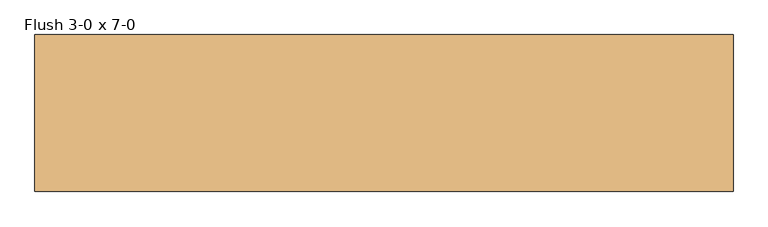
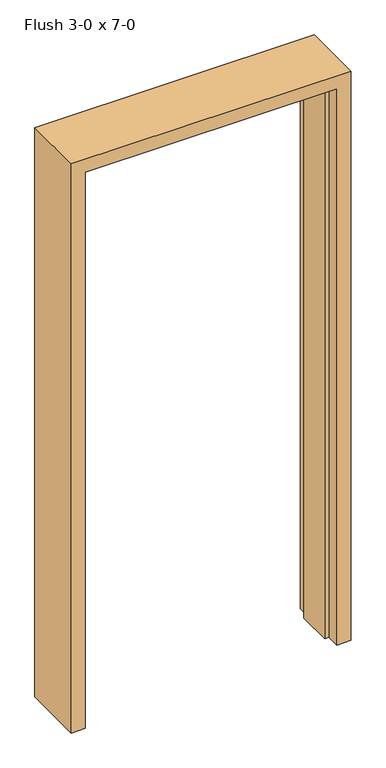
"""IFC4 building model written with IfcOpenShell, lengths in millimetres: door geometry, Flush 3-0 x 7-0."""

from ifc_helpers import new_model, si_unit, frame, origin, place, context, project, spatial, polyline, outline, extrude, source, transform, mapped, element, save


def flush_3_0_x_7_0_7f29da43(model_context):
    return source(origin(), model_context, "Body", "SweptSolid", [
        extrude(outline(polyline([(0.0, 457.2), (2133.6, 457.2), (2133.6, -457.2), (0.0, -457.2), (0.0, -441.325), (2117.725, -441.325), (2117.725, 441.325), (0.0, 441.325), (0.0, 457.2)])), frame((0.0, -73.025, 0.0), z_axis=(0.0, 1.0, 0.0), x_axis=(0.0, 0.0, 1.0)), (0.0, 0.0, 1.0), 130.175),
        extrude(outline(polyline([(0.0, 457.2), (0.0, 508.0), (2184.4, 508.0), (2184.4, -508.0), (0.0, -508.0), (0.0, -457.2), (2133.6, -457.2), (2133.6, 457.2), (0.0, 457.2)])), frame((0.0, -122.2375, 0.0), z_axis=(0.0, 1.0, 0.0), x_axis=(0.0, 0.0, 1.0)), (0.0, 0.0, 1.0), 228.6),
    ])


if __name__ == "__main__":
    model = new_model("IFC4")
    model_context = context("Model", 3, world=origin())
    ifc_project = project(units=[si_unit("LENGTHUNIT", "METRE", prefix="MILLI")], contexts=[model_context])
    site = spatial("IfcSite", under=ifc_project)
    building = spatial("IfcBuilding", under=site)
    placement = place(None, origin())
    flush_3_0_x_7_0_shape = flush_3_0_x_7_0_7f29da43(model_context)
    element("IfcDoor", 1, ObjectType="Flush 3-0 x 7-0", at=placement, inside=building, context=model_context, shape_type="MappedRepresentation", body=[
        mapped(flush_3_0_x_7_0_shape, transform((0.0, 0.0, 0.0), x_axis=(1.0, 0.0, 0.0), y_axis=(0.0, 1.0, 0.0), z_axis=(0.0, 0.0, 1.0))),
    ])
    save(model, "model.ifc")
